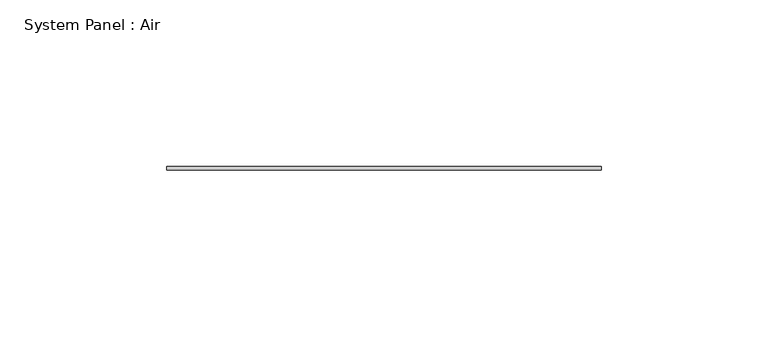
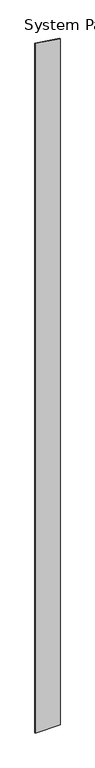
"""IFC4 building model written with IfcOpenShell, lengths in millimetres: plate geometry, System Panel : Air."""

from ifc_helpers import new_model, si_unit, frame, origin, place, context, project, spatial, polyline, outline, extrude, source, transform, mapped, element, save


def system_panel_air_927ea399(model_context):
    return source(origin(), model_context, "Body", "SweptSolid", [
        extrude(outline(polyline([(0.0, -65.0), (0.0, 65.0), (3771.0494066, 65.0), (3790.3048906, -65.0), (0.0, -65.0)])), frame((0.0, 36.5, 0.0), z_axis=(0.0, 1.0, 0.0), x_axis=(0.0, 0.0, 1.0)), (0.0, 0.0, 1.0), 1.0),
    ])


if __name__ == "__main__":
    model = new_model("IFC4")
    model_context = context("Model", 3, world=origin())
    ifc_project = project(units=[si_unit("LENGTHUNIT", "METRE", prefix="MILLI")], contexts=[model_context])
    site = spatial("IfcSite", under=ifc_project)
    building = spatial("IfcBuilding", under=site)
    placement = place(None, origin())
    system_panel_air_shape = system_panel_air_927ea399(model_context)
    element("IfcPlate", 1, ObjectType="System Panel : Air", at=placement, inside=building, context=model_context, shape_type="MappedRepresentation", body=[
        mapped(system_panel_air_shape, transform((0.0, 0.0, 0.0), x_axis=(1.0, 0.0, 0.0), y_axis=(0.0, 1.0, 0.0), z_axis=(0.0, 0.0, 1.0))),
    ])
    save(model, "model.ifc")
